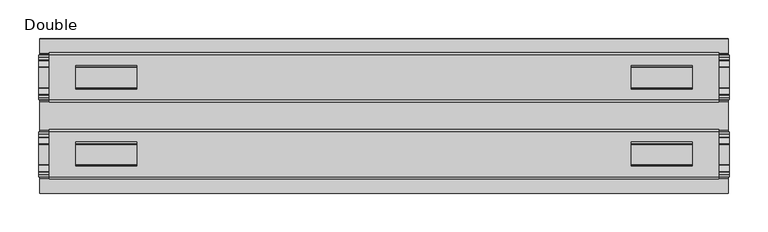
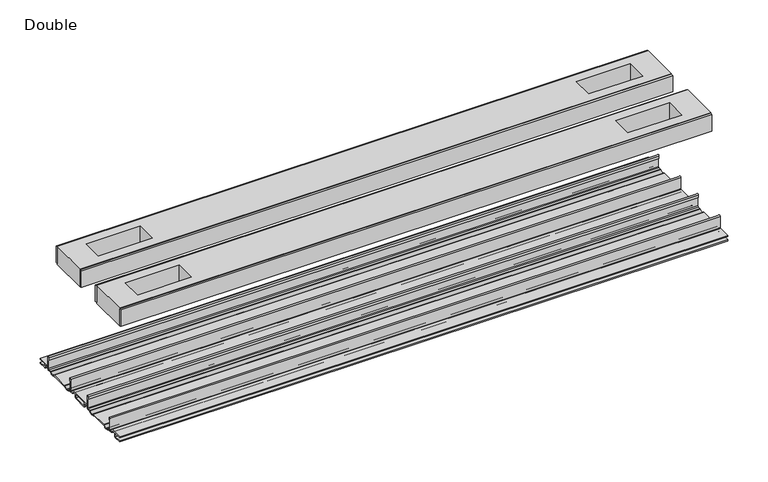
"""IFC4 building model written with IfcOpenShell, lengths in millimetres: proxy geometry, Double."""

from ifc_helpers import new_model, si_unit, point, frame, frame_2d, origin, place, context, project, spatial, polyline, circle_curve, trimmed, segment, composite_curve, outline, extrude, source, transform, mapped, element, save


def double_417845b1(model_context):
    return source(origin(), model_context, "Body", "SweptSolid", [
        extrude(outline(composite_curve([segment(trimmed(circle_curve(frame_2d((76.6483061, -7.7516037)), 2.17424), [point((78.8225461, -7.7516037))], [point((76.6483061, -9.9258438))], False, "CARTESIAN"), True, "CONTINUOUS"), segment(polyline([(76.6483061, -9.9258438), (72.3573194, -9.9258438)]), True, "CONTINUOUS"), segment(trimmed(circle_curve(frame_2d((67.7769049, -6.4800016)), 5.7318431), [point((72.3573194, -9.9258438))], [point((63.1964904, -9.9258438))], False, "CARTESIAN"), True, "CONTINUOUS"), segment(polyline([(63.1964904, -9.9258438), (36.43501, -9.9258438)]), True, "CONTINUOUS"), segment(trimmed(circle_curve(frame_2d((31.8545955, -6.4800016)), 5.7318431), [point((36.43501, -9.9258438))], [point((27.274181, -9.9258438))], False, "CARTESIAN"), True, "CONTINUOUS"), segment(polyline([(27.274181, -9.9258438), (22.9831943, -9.9258438)]), True, "CONTINUOUS"), segment(trimmed(circle_curve(frame_2d((22.9831943, -7.7516037)), 2.17424), [point((22.9831943, -9.9258438))], [point((20.8089542, -7.7516037))], False, "CARTESIAN"), True, "CONTINUOUS"), segment(polyline([(20.8089542, -7.7516037), (20.8089542, 9.8607558)]), True, "CONTINUOUS"), segment(trimmed(circle_curve(frame_2d((22.0281522, 9.8607558)), 1.2191979), [point((20.8089542, 9.8607558))], [point((23.2473501, 9.8607558))], False, "CARTESIAN"), True, "CONTINUOUS"), segment(polyline([(23.2473501, 9.8607558), (23.2473501, 5.9999563), (21.9671735, 5.9999563), (21.9671735, -7.7516037)]), True, "CONTINUOUS"), segment(trimmed(circle_curve(frame_2d((22.9831943, -7.7516037)), 1.0160208), [point((21.9671735, -7.7516037))], [point((22.9766772, -8.7676036))], True, "CARTESIAN"), True, "CONTINUOUS"), segment(polyline([(22.9766772, -8.7676036), (26.9196277, -8.7676036), (27.8329895, -8.968753)]), True, "CONTINUOUS"), segment(trimmed(circle_curve(frame_2d((31.8579482, -6.1259382)), 4.9276657), [point((27.8329895, -8.968753))], [point((35.8829069, -8.968753))], True, "CARTESIAN"), True, "CONTINUOUS"), segment(polyline([(35.8829069, -8.968753), (36.7962778, -8.7676036), (62.8352226, -8.7676036), (63.7485934, -8.968753)]), True, "CONTINUOUS"), segment(trimmed(circle_curve(frame_2d((67.7735521, -6.1259382)), 4.9276657), [point((63.7485934, -8.968753))], [point((71.7985108, -8.968753))], True, "CARTESIAN"), True, "CONTINUOUS"), segment(polyline([(71.7985108, -8.968753), (72.7118726, -8.7676036), (76.6548232, -8.7676036)]), True, "CONTINUOUS"), segment(trimmed(circle_curve(frame_2d((76.6483061, -7.7516037)), 1.0160208), [point((76.6548232, -8.7676036))], [point((77.6643269, -7.7516037))], True, "CARTESIAN"), True, "CONTINUOUS"), segment(polyline([(77.6643269, -7.7516037), (77.6643269, 5.9999563), (76.3841503, 5.9999563), (76.3841503, 9.8607558)]), True, "CONTINUOUS"), segment(trimmed(circle_curve(frame_2d((77.6033482, 9.8607558)), 1.2191979), [point((76.3841503, 9.8607558))], [point((78.8225461, 9.8607558))], False, "CARTESIAN"), True, "CONTINUOUS"), segment(polyline([(78.8225461, 9.8607558), (78.8225461, -7.7516037)]), True, "CONTINUOUS")], self_intersect=False)), frame((-447.7193698, 0.0, 0.0), z_axis=(1.0, 0.0, 0.0), x_axis=(0.0, 1.0, 0.0)), (0.0, 0.0, 1.0), 895.4387397),
        extrude(outline(composite_curve([segment(polyline([(-79.2035458, -7.7516037), (-79.2035458, 9.8607558)]), True, "CONTINUOUS"), segment(trimmed(circle_curve(frame_2d((-77.9843478, 9.8607558)), 1.2191979), [point((-79.2035458, 9.8607558))], [point((-76.7651499, 9.8607558))], False, "CARTESIAN"), True, "CONTINUOUS"), segment(polyline([(-76.7651499, 9.8607558), (-76.7651499, 5.9999563), (-78.0453265, 5.9999563), (-78.0453265, -7.7516037)]), True, "CONTINUOUS"), segment(trimmed(circle_curve(frame_2d((-77.0293057, -7.7516037)), 1.0160208), [point((-78.0453265, -7.7516037))], [point((-77.0358228, -8.7676036))], True, "CARTESIAN"), True, "CONTINUOUS"), segment(polyline([(-77.0358228, -8.7676036), (-73.0928723, -8.7676036), (-72.1795105, -8.968753)]), True, "CONTINUOUS"), segment(trimmed(circle_curve(frame_2d((-68.1545518, -6.1259382)), 4.9276657), [point((-72.1795105, -8.968753))], [point((-64.1295931, -8.968753))], True, "CARTESIAN"), True, "CONTINUOUS"), segment(polyline([(-64.1295931, -8.968753), (-63.2162222, -8.7676036), (-37.1772774, -8.7676036), (-36.2639066, -8.968753)]), True, "CONTINUOUS"), segment(trimmed(circle_curve(frame_2d((-32.2389479, -6.1259382)), 4.9276657), [point((-36.2639066, -8.968753))], [point((-28.2139892, -8.968753))], True, "CARTESIAN"), True, "CONTINUOUS"), segment(polyline([(-28.2139892, -8.968753), (-27.3006274, -8.7676036), (-23.3576768, -8.7676036)]), True, "CONTINUOUS"), segment(trimmed(circle_curve(frame_2d((-23.3641939, -7.7516037)), 1.0160208), [point((-23.3576768, -8.7676036))], [point((-22.3481731, -7.7516037))], True, "CARTESIAN"), True, "CONTINUOUS"), segment(polyline([(-22.3481731, -7.7516037), (-22.3481731, 5.9999563), (-23.6283497, 5.9999563), (-23.6283497, 9.8607558)]), True, "CONTINUOUS"), segment(trimmed(circle_curve(frame_2d((-22.4091518, 9.8607558)), 1.2191979), [point((-23.6283497, 9.8607558))], [point((-21.1899539, 9.8607558))], False, "CARTESIAN"), True, "CONTINUOUS"), segment(polyline([(-21.1899539, 9.8607558), (-21.1899539, -7.7516037)]), True, "CONTINUOUS"), segment(trimmed(circle_curve(frame_2d((-23.3641939, -7.7516037)), 2.17424), [point((-21.1899539, -7.7516037))], [point((-23.3641939, -9.9258438))], False, "CARTESIAN"), True, "CONTINUOUS"), segment(polyline([(-23.3641939, -9.9258438), (-27.6551806, -9.9258438)]), True, "CONTINUOUS"), segment(trimmed(circle_curve(frame_2d((-32.2355951, -6.4800016)), 5.7318431), [point((-27.6551806, -9.9258438))], [point((-36.8160096, -9.9258438))], False, "CARTESIAN"), True, "CONTINUOUS"), segment(polyline([(-36.8160096, -9.9258438), (-63.57749, -9.9258438)]), True, "CONTINUOUS"), segment(trimmed(circle_curve(frame_2d((-68.1579045, -6.4800016)), 5.7318431), [point((-63.57749, -9.9258438))], [point((-72.738319, -9.9258438))], False, "CARTESIAN"), True, "CONTINUOUS"), segment(polyline([(-72.738319, -9.9258438), (-77.0293057, -9.9258438)]), True, "CONTINUOUS"), segment(trimmed(circle_curve(frame_2d((-77.0293057, -7.7516037)), 2.17424), [point((-77.0293057, -9.9258438))], [point((-79.2035458, -7.7516037))], False, "CARTESIAN"), True, "CONTINUOUS")], self_intersect=False)), frame((-447.7193698, 0.0, 0.0), z_axis=(1.0, 0.0, 0.0), x_axis=(0.0, 1.0, 0.0)), (0.0, 0.0, 1.0), 895.4387397),
        extrude(outline(polyline([(433.660479, 78.8225461), (-433.660479, 78.8225461), (-433.660479, 81.9975522), (433.660479, 81.9975522), (433.660479, 78.8225461)])), frame((0.0, 0.0, 149.8401622), z_axis=(0.0, 0.0, 1.0), x_axis=(1.0, 0.0, 0.0)), (0.0, 0.0, 1.0), 25.3999939),
        extrude(outline(polyline([(433.660479, 17.6339482), (-433.660479, 17.6339482), (-433.660479, 20.8089542), (433.660479, 20.8089542), (433.660479, 17.6339482)])), frame((0.0, 0.0, 149.8401622), z_axis=(0.0, 0.0, 1.0), x_axis=(1.0, 0.0, 0.0)), (0.0, 0.0, 1.0), 25.3999939),
        extrude(outline(polyline([(433.660479, -21.1899493), (-433.660479, -21.1899493), (-433.660479, -18.0149501), (433.660479, -18.0149501), (433.660479, -21.1899493)])), frame((0.0, 0.0, 149.8401622), z_axis=(0.0, 0.0, 1.0), x_axis=(1.0, 0.0, 0.0)), (0.0, 0.0, 1.0), 25.3999939),
        extrude(outline(polyline([(433.660479, -82.3785496), (-433.660479, -82.3785496), (-433.660479, -79.2035503), (433.660479, -79.2035503), (433.660479, -82.3785496)])), frame((0.0, 0.0, 149.8401622), z_axis=(0.0, 0.0, 1.0), x_axis=(1.0, 0.0, 0.0)), (0.0, 0.0, 1.0), 25.3999939),
        extrude(outline(polyline([(433.660479, -79.2035503), (-433.660479, -79.2035503), (-433.660479, -21.1899493), (433.660479, -21.1899493), (433.660479, -79.2035503)]), holes=[polyline([(399.2434664, -65.3097536), (399.2434664, -34.3217468), (320.1986545, -34.3217468), (320.1986545, -65.3097536), (399.2434664, -65.3097536)]), polyline([(-399.2434664, -65.3097536), (-320.1986545, -65.3097536), (-320.1986545, -34.3217468), (-399.2434664, -34.3217468), (-399.2434664, -65.3097536)])]), frame((0.0, 0.0, 148.4185847), z_axis=(0.0, 0.0, 1.0), x_axis=(1.0, 0.0, 0.0)), (0.0, 0.0, 1.0), 27.9999988),
        extrude(outline(polyline([(433.660479, 78.8225461), (433.660479, 20.8224524), (-433.660479, 20.8224524), (-433.660479, 78.8225461), (433.660479, 78.8225461)]), holes=[polyline([(399.2434664, 65.3097536), (320.1986545, 65.3097536), (320.1986545, 34.3217468), (399.2434664, 34.3217468), (399.2434664, 65.3097536)]), polyline([(-399.2434664, 65.3097536), (-399.2434664, 34.3217468), (-320.1986545, 34.3217468), (-320.1986545, 65.3097536), (-399.2434664, 65.3097536)])]), frame((0.0, 0.0, 148.4185847), z_axis=(0.0, 0.0, 1.0), x_axis=(1.0, 0.0, 0.0)), (0.0, 0.0, 1.0), 27.9999988),
        extrude(outline(composite_curve([segment(polyline([(100.2730922, -13.9898438), (89.6620022, -13.9898438)]), True, "CONTINUOUS"), segment(trimmed(circle_curve(frame_2d((89.6620022, -12.4658438)), 1.524), [point((89.6620022, -13.9898438))], [point((88.1380022, -12.4658438))], False, "CARTESIAN"), True, "CONTINUOUS"), segment(polyline([(88.1380022, -12.4658438), (88.1380022, -7.766844), (81.3117474, -7.766844), (81.3117474, -10.0528438)]), True, "CONTINUOUS"), segment(trimmed(circle_curve(frame_2d((79.7877474, -10.0528438)), 1.524), [point((81.3117474, -10.0528438))], [point((79.7877474, -11.5768438))], False, "CARTESIAN"), True, "CONTINUOUS"), segment(polyline([(79.7877474, -11.5768438), (73.2816053, -11.5768438)]), True, "CONTINUOUS"), segment(trimmed(circle_curve(frame_2d((67.7735521, -6.4968436)), 7.4930002), [point((73.2816053, -11.5768438))], [point((62.5157472, -11.8354331))], False, "CARTESIAN"), True, "CONTINUOUS"), segment(polyline([(62.5157472, -11.8354331), (37.1157532, -11.8354331)]), True, "CONTINUOUS"), segment(trimmed(circle_curve(frame_2d((31.8579482, -6.4968436)), 7.4930002), [point((37.1157532, -11.8354331))], [point((26.3498951, -11.5768438))], False, "CARTESIAN"), True, "CONTINUOUS"), segment(polyline([(26.3498951, -11.5768438), (19.8437529, -11.5768438)]), True, "CONTINUOUS"), segment(trimmed(circle_curve(frame_2d((19.8437529, -10.0528438)), 1.524), [point((19.8437529, -11.5768438))], [point((18.319753, -10.0528438))], False, "CARTESIAN"), True, "CONTINUOUS"), segment(polyline([(18.319753, -10.0528438), (18.319753, -7.766844), (11.4934981, -7.766844), (11.4934981, -12.4658438)]), True, "CONTINUOUS"), segment(trimmed(circle_curve(frame_2d((9.9694982, -12.4658438)), 1.524), [point((11.4934981, -12.4658438))], [point((9.9694982, -13.9898438))], False, "CARTESIAN"), True, "CONTINUOUS"), segment(polyline([(9.9694982, -13.9898438), (-10.3504978, -13.9898438)]), True, "CONTINUOUS"), segment(trimmed(circle_curve(frame_2d((-10.3504978, -12.4658438)), 1.524), [point((-10.3504978, -13.9898438))], [point((-11.8744978, -12.4658438))], False, "CARTESIAN"), True, "CONTINUOUS"), segment(polyline([(-11.8744978, -12.4658438), (-11.8744978, -7.766844), (-18.7007526, -7.766844), (-18.7007526, -10.0528438)]), True, "CONTINUOUS"), segment(trimmed(circle_curve(frame_2d((-20.2247526, -10.0528438)), 1.524), [point((-18.7007526, -10.0528438))], [point((-20.2247526, -11.5768438))], False, "CARTESIAN"), True, "CONTINUOUS"), segment(polyline([(-20.2247526, -11.5768438), (-26.7308947, -11.5768438)]), True, "CONTINUOUS"), segment(trimmed(circle_curve(frame_2d((-32.2389479, -6.4968436)), 7.4930002), [point((-26.7308947, -11.5768438))], [point((-37.4967528, -11.8354331))], False, "CARTESIAN"), True, "CONTINUOUS"), segment(polyline([(-37.4967528, -11.8354331), (-62.8967468, -11.8354331)]), True, "CONTINUOUS"), segment(trimmed(circle_curve(frame_2d((-68.1545518, -6.4968436)), 7.4930002), [point((-62.8967468, -11.8354331))], [point((-73.6626049, -11.5768438))], False, "CARTESIAN"), True, "CONTINUOUS"), segment(polyline([(-73.6626049, -11.5768438), (-80.1687471, -11.5768438)]), True, "CONTINUOUS"), segment(trimmed(circle_curve(frame_2d((-80.1687471, -10.0528438)), 1.524), [point((-80.1687471, -11.5768438))], [point((-81.692747, -10.0528438))], False, "CARTESIAN"), True, "CONTINUOUS"), segment(polyline([(-81.692747, -10.0528438), (-81.692747, -7.766844), (-88.5190019, -7.766844), (-88.5190019, -12.4658438)]), True, "CONTINUOUS"), segment(trimmed(circle_curve(frame_2d((-90.0430018, -12.4658438)), 1.524), [point((-88.5190019, -12.4658438))], [point((-90.0430018, -13.9898438))], False, "CARTESIAN"), True, "CONTINUOUS"), segment(polyline([(-90.0430018, -13.9898438), (-100.6540918, -13.9898438), (-100.6112708, -12.3388438), (-90.1700003, -12.3388438), (-90.1700003, -7.766844), (-100.6112708, -7.766844), (-100.6540918, -6.1158439), (-81.6301718, -6.1158439)]), True, "CONTINUOUS"), segment(trimmed(circle_curve(frame_2d((-81.6927482, -7.7656583)), 1.6510007), [point((-81.6301718, -6.1158439))], [point((-80.0417475, -7.7656583))], False, "CARTESIAN"), True, "CONTINUOUS"), segment(polyline([(-80.0417475, -7.7656583), (-80.0417475, -9.9258438), (-73.493084, -9.9258438)]), True, "CONTINUOUS"), segment(trimmed(circle_curve(frame_2d((-68.1545518, -5.2268471)), 7.1119966), [point((-73.493084, -9.9258438))], [point((-62.8160195, -9.9258438))], True, "CARTESIAN"), True, "CONTINUOUS"), segment(polyline([(-62.8160195, -9.9258438), (-37.5774801, -9.9258438)]), True, "CONTINUOUS"), segment(trimmed(circle_curve(frame_2d((-32.2389479, -5.2268471)), 7.1119966), [point((-37.5774801, -9.9258438))], [point((-26.9004156, -9.9258438))], True, "CARTESIAN"), True, "CONTINUOUS"), segment(polyline([(-26.9004156, -9.9258438), (-20.3517522, -9.9258438), (-20.3517522, -7.7656583)]), True, "CONTINUOUS"), segment(trimmed(circle_curve(frame_2d((-18.7007515, -7.7656583)), 1.6510007), [point((-20.3517522, -7.7656583))], [point((-18.7633278, -6.1158439))], False, "CARTESIAN"), True, "CONTINUOUS"), segment(polyline([(-18.7633278, -6.1158439), (18.3823282, -6.1158439)]), True, "CONTINUOUS"), segment(trimmed(circle_curve(frame_2d((18.3197518, -7.7656583)), 1.6510007), [point((18.3823282, -6.1158439))], [point((19.9707525, -7.7656583))], False, "CARTESIAN"), True, "CONTINUOUS"), segment(polyline([(19.9707525, -7.7656583), (19.9707525, -9.9258438), (26.519416, -9.9258438)]), True, "CONTINUOUS"), segment(trimmed(circle_curve(frame_2d((31.8579482, -5.2268471)), 7.1119966), [point((26.519416, -9.9258438))], [point((37.1964805, -9.9258438))], True, "CARTESIAN"), True, "CONTINUOUS"), segment(polyline([(37.1964805, -9.9258438), (62.4350199, -9.9258438)]), True, "CONTINUOUS"), segment(trimmed(circle_curve(frame_2d((67.7735521, -5.2268471)), 7.1119966), [point((62.4350199, -9.9258438))], [point((73.1120844, -9.9258438))], True, "CARTESIAN"), True, "CONTINUOUS"), segment(polyline([(73.1120844, -9.9258438), (79.6607478, -9.9258438), (79.6607478, -7.6398436)]), True, "CONTINUOUS"), segment(trimmed(circle_curve(frame_2d((81.1847475, -7.6398436)), 1.5239997), [point((79.6607478, -7.6398436))], [point((81.1847475, -6.1158439))], False, "CARTESIAN"), True, "CONTINUOUS"), segment(polyline([(81.1847475, -6.1158439), (100.2730922, -6.1158439), (100.2302711, -7.766844), (89.7890007, -7.766844), (89.7890007, -12.3388438), (100.2302711, -12.3388438), (100.2730922, -13.9898438)]), True, "CONTINUOUS")], self_intersect=False), holes=[polyline([(9.8424997, -12.3388438), (9.8424997, -7.766844), (-10.2234993, -7.766844), (-10.2234993, -12.3388438), (9.8424997, -12.3388438)])]), frame((-446.0683698, 0.0, 0.0), z_axis=(1.0, 0.0, 0.0), x_axis=(0.0, 1.0, 0.0)), (0.0, 0.0, 1.0), 892.1367397),
    ])


if __name__ == "__main__":
    model = new_model("IFC4")
    model_context = context("Model", 3, world=origin())
    ifc_project = project(units=[si_unit("LENGTHUNIT", "METRE", prefix="MILLI")], contexts=[model_context])
    site = spatial("IfcSite", under=ifc_project)
    building = spatial("IfcBuilding", under=site)
    placement = place(None, origin())
    double_shape = double_417845b1(model_context)
    element("IfcBuildingElementProxy", 1, Name="Double", ObjectType="Double", at=placement, inside=building, context=model_context, shape_type="MappedRepresentation", body=[
        mapped(double_shape, transform((0.0, 0.0, 0.0), x_axis=(1.0, 0.0, 0.0), y_axis=(0.0, 1.0, 0.0), z_axis=(0.0, 0.0, 1.0))),
    ])
    save(model, "model.ifc")
